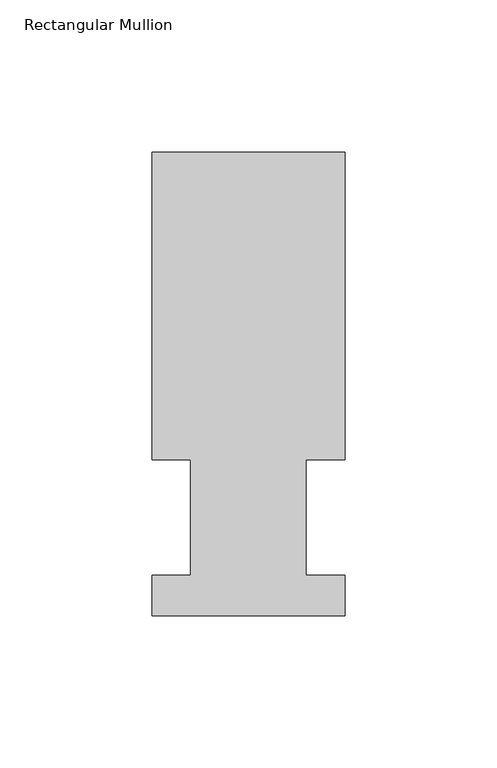
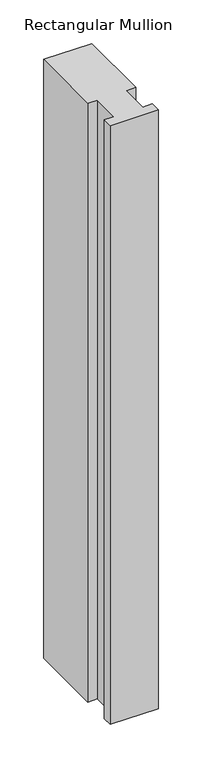
"""IFC4 building model written with IfcOpenShell, lengths in millimetres: member geometry, Rectangular Mullion."""

from ifc_helpers import new_model, si_unit, frame, origin, place, context, project, spatial, polyline, outline, extrude, source, transform, mapped, element, save


def rectangular_mullion_1f80358f(model_context):
    return source(origin(), model_context, "Body", "SweptSolid", [
        extrude(outline(polyline([(31.75, 152.4896938), (31.75, 51.2960937), (19.05, 51.2960937), (19.05, 13.1960938), (31.75, 13.1960938), (31.75, 0.0134938), (-31.75, 0.0134938), (-31.75, 13.1960938), (-19.05, 13.1960938), (-19.05, 51.2960937), (-31.75, 51.2960937), (-31.75, 152.4896938), (31.75, 152.4896938)])), frame((0.0, 0.0, -838.2), z_axis=(0.0, 0.0, 1.0), x_axis=(1.0, 0.0, 0.0)), (0.0, 0.0, 1.0), 838.2),
    ])


if __name__ == "__main__":
    model = new_model("IFC4")
    model_context = context("Model", 3, world=origin())
    ifc_project = project(units=[si_unit("LENGTHUNIT", "METRE", prefix="MILLI")], contexts=[model_context])
    site = spatial("IfcSite", under=ifc_project)
    building = spatial("IfcBuilding", under=site)
    placement = place(None, origin())
    rectangular_mullion_shape = rectangular_mullion_1f80358f(model_context)
    element("IfcMember", 1, ObjectType="Rectangular Mullion", at=placement, inside=building, context=model_context, shape_type="MappedRepresentation", body=[
        mapped(rectangular_mullion_shape, transform((0.0, 0.0, 0.0), x_axis=(1.0, 0.0, 0.0), y_axis=(0.0, 1.0, 0.0), z_axis=(0.0, 0.0, 1.0))),
    ])
    save(model, "model.ifc")
